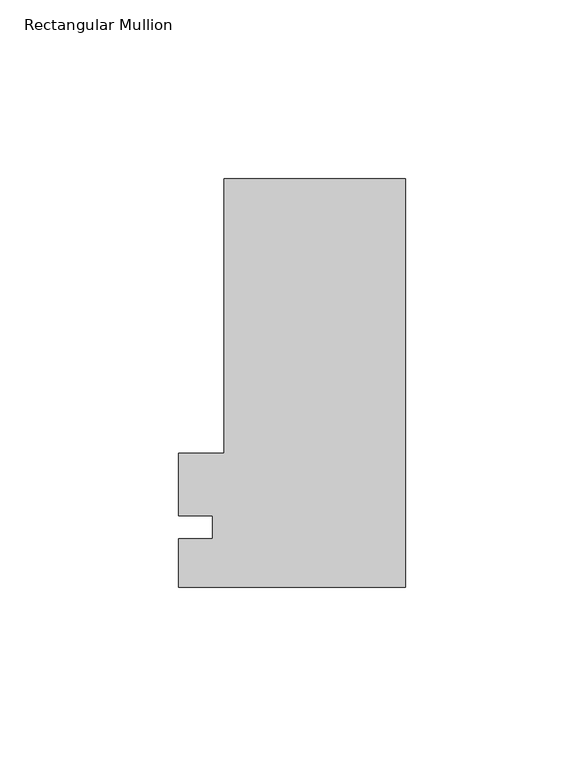
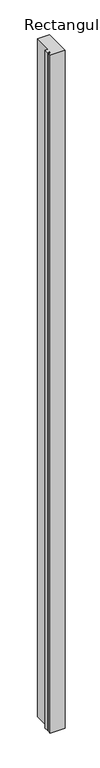
"""IFC4 building model written with IfcOpenShell, lengths in millimetres: member geometry, Rectangular Mullion."""

from ifc_helpers import new_model, si_unit, frame, origin, place, context, project, spatial, polyline, outline, extrude, source, transform, mapped, element, save


def rectangular_mullion_723105cf(model_context):
    return source(origin(), model_context, "Body", "SweptSolid", [
        extrude(outline(polyline([(-50.8, 100.6935375), (0.0, 100.6935375), (0.0, -13.6064625), (-63.4999959, -13.6064625), (-63.4999959, 0.0460375), (-53.9749959, 0.0460375), (-53.9749959, 6.3604386), (-63.4999959, 6.3604386), (-63.4999959, 23.8585375), (-50.8, 23.8585375), (-50.8, 100.6935375)])), frame((0.0, 0.0, -3048.0), z_axis=(0.0, 0.0, 1.0), x_axis=(1.0, 0.0, 0.0)), (0.0, 0.0, 1.0), 3048.0),
    ])


if __name__ == "__main__":
    model = new_model("IFC4")
    model_context = context("Model", 3, world=origin())
    ifc_project = project(units=[si_unit("LENGTHUNIT", "METRE", prefix="MILLI")], contexts=[model_context])
    site = spatial("IfcSite", under=ifc_project)
    building = spatial("IfcBuilding", under=site)
    placement = place(None, origin())
    rectangular_mullion_shape = rectangular_mullion_723105cf(model_context)
    element("IfcMember", 1, ObjectType="Rectangular Mullion", at=placement, inside=building, context=model_context, shape_type="MappedRepresentation", body=[
        mapped(rectangular_mullion_shape, transform((0.0, 0.0, 0.0), x_axis=(1.0, 0.0, 0.0), y_axis=(0.0, 1.0, 0.0), z_axis=(0.0, 0.0, 1.0))),
    ])
    save(model, "model.ifc")
